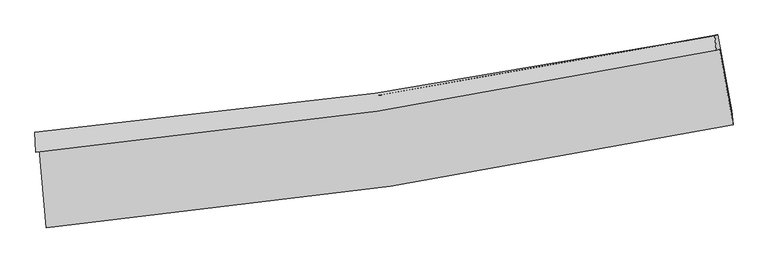
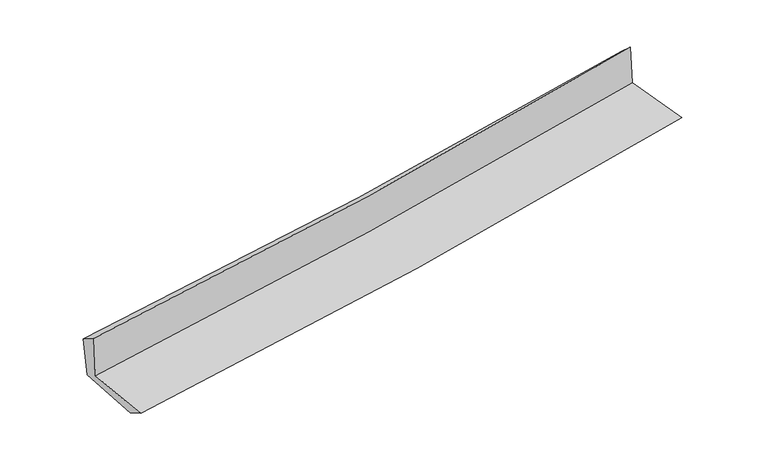
"""IFC4 building model written with IfcOpenShell, lengths in millimetres: proxy geometry."""

from ifc_helpers import new_model, si_unit, frame, origin, place, context, project, spatial, source, transform, mapped, element, save
from ifc_brep_helpers import plane_surface, spline_curve, spline_surface, advanced_brep


def generic_models_8a33d9b4(model_context):
    return source(origin(), model_context, "Body", "AdvancedBrep", [
        advanced_brep(
        [(-2925.9304357, -1894.8660456, 1619.7321691), (-2866.1827353, -2563.5177587, 1610.1785005), (2992.9283076, -1686.6258354, 2124.6903695), (2877.5336411, -1039.8536229, 2134.8151433), (-2953.6212013, -1918.0987496, 2036.7698573), (2850.7552447, -1050.7197209, 2523.7429584), (-2960.9736693, -1749.4565349, 1930.9817537), (2836.537599, -924.0486351, 2412.1480065), (-2932.7975708, -1764.1622955, 1554.1294792), (2863.1320825, -918.8858174, 2039.4100614), (-2874.1104651, -2403.9670818, 1523.7170839), (2979.7725719, -1565.8926868, 2012.9687853)],
        [
            (0, 1),
            (1, 2, spline_curve(3, [(-2866.1827353, -2563.5177587, 1610.1785005), (-1883.796132632, -2473.892300262, 1708.655504788), (-905.131007101, -2356.169735648, 1800.710769647), (1047.930277564, -2064.055669076, 1972.256607029), (2022.302166367, -1889.480926025, 2051.705298237), (2992.9283076, -1686.6258354, 2124.6903695)], [4, 2, 4], [0.0, 9.696366330577114, 19.424299762716338])),
            (2, 3),
            (3, 0, spline_curve(3, [(2877.5336411, -1039.8536229, 2134.8151433), (1915.353837085, -1235.183010092, 2063.461588826), (949.850585536, -1404.17179403, 1984.779583449), (-984.658974523, -1689.005262047, 1813.037774307), (-1953.643748232, -1805.020618951, 1720.025455035), (-2925.9304357, -1894.8660456, 1619.7321691)], [4, 2, 4], [0.0, 9.727933432139224, 19.424299762716338])),
            (4, 0),
            (3, 5),
            (5, 4, spline_curve(3, [(2850.7552447, -1050.7197209, 2523.7429584), (1889.542062486, -1251.27096662, 2449.778977616), (924.445058219, -1423.900339187, 2372.143989398), (-1010.372255264, -1712.845763607, 2209.795836402), (-1980.067400025, -1829.342733715, 2125.106457271), (-2953.6212013, -1918.0987496, 2036.7698573)], [4, 2, 4], [0.0, 9.680396594629824, 19.329380344527937])),
            (6, 4),
            (5, 7),
            (7, 6, spline_curve(3, [(2836.537599, -924.0486351, 2412.1480065), (1875.403816924, -1114.85714665, 2340.60168896), (910.920407483, -1279.114097679, 2264.659046219), (-1021.605052299, -1554.07802453, 2104.241809582), (-1989.625398818, -1664.957040333, 2019.79570129), (-2960.9736693, -1749.4565349, 1930.9817537)], [4, 2, 4], [0.0, 9.669672466422762, 19.307966887863074])),
            (8, 6),
            (7, 9),
            (9, 8, spline_curve(3, [(2863.1320825, -918.8858174, 2039.4100614), (1903.574924492, -1119.581697238, 1965.131239587), (940.010775996, -1290.435398536, 1887.48058893), (-991.991738468, -1572.000863485, 1725.698547463), (-1960.404140843, -1682.905987885, 1641.589003919), (-2932.7975708, -1764.1622955, 1554.1294792)], [4, 2, 4], [0.0, 9.66042916077026, 19.289510271044602])),
            (10, 8),
            (9, 11),
            (11, 10, spline_curve(3, [(2979.7725719, -1565.8926868, 2012.9687853), (2009.767134216, -1761.221482422, 1938.022174657), (1036.142177643, -1928.793876893, 1859.706169289), (-915.175620779, -2207.972162017, 1696.60043688), (-1892.845009631, -2319.757899255, 1611.832541984), (-2874.1104651, -2403.9670818, 1523.7170839)], [4, 2, 4], [0.0, 9.708299574179305, 19.38509575857995])),
            (1, 10),
            (11, 2),
        ],
        [
            spline_surface(3, 3, [[(-2925.9304357, -1894.8660456, 1619.7321691), (-1953.643748331, -1805.020619081, 1720.025455015), (-984.658974365, -1689.00526202, 1813.037774307), (949.850585378, -1404.171794057, 1984.779583449), (1915.353837025, -1235.183010184, 2063.461588901), (2877.5336411, -1039.8536229, 2134.8151433)], [(-2906.014535573, -2117.749949985, 1616.547612911), (-1930.361209804, -2027.977846129, 1716.235471576), (-958.149651975, -1911.393419864, 1808.928772781), (982.543816096, -1624.13308577, 1980.605257913), (1951.003280118, -1453.282315473, 2059.542825323), (2915.998529938, -1255.444360396, 2131.440218722)], [(-2886.098635427, -2340.633854315, 1613.363056689), (-1907.078671258, -2250.935073123, 1712.445488105), (-931.640329522, -2133.781577696, 1804.819771307), (1015.237046878, -1844.094377471, 1976.43093243), (1986.652723198, -1671.381620773, 2055.62406168), (2954.463418762, -1471.035097904, 2128.065294078)], [(-2866.1827353, -2563.5177587, 1610.1785005), (-1883.79613273, -2473.892300172, 1708.655504666), (-905.131007133, -2356.16973554, 1800.710769781), (1047.930277596, -2064.055669185, 1972.256606894), (2022.302166291, -1889.480926061, 2051.705298102), (2992.9283076, -1686.6258354, 2124.6903695)]], [4, 4], [4, 2, 4], [0.0, 2.1966796606147616], [0.0, 9.696366330577114, 19.424299762716338]),
            spline_surface(3, 3, [[(-2953.6212013, -1918.0987496, 2036.7698573), (-1980.06739989, -1829.342733661, 2125.106457405), (-1010.372255399, -1712.845763497, 2209.7958363), (924.445058354, -1423.900339298, 2372.1439895), (1889.542062506, -1251.27096655, 2449.778977604), (2850.7552447, -1050.7197209, 2523.7429584)], [(-2944.390946086, -1910.354514921, 1897.757294571), (-1971.259516023, -1821.235362122, 1990.079456613), (-1001.801161694, -1704.898929673, 2077.543148975), (932.913567388, -1417.324157553, 2243.022520823), (1898.145987342, -1245.908314426, 2321.006514685), (2859.681376829, -1047.097688231, 2394.100353348)], [(-2935.160690914, -1902.610280279, 1758.744731829), (-1962.451632199, -1813.12799062, 1855.052455807), (-993.230068069, -1696.952095844, 1945.290461632), (941.382076343, -1410.747975802, 2113.901052127), (1906.749912189, -1240.545662308, 2192.234051821), (2868.607508971, -1043.475655569, 2264.457748352)], [(-2925.9304357, -1894.8660456, 1619.7321691), (-1953.643748331, -1805.020619081, 1720.025455015), (-984.658974365, -1689.00526202, 1813.037774307), (949.850585378, -1404.171794057, 1984.779583449), (1915.353837025, -1235.183010184, 2063.461588901), (2877.5336411, -1039.8536229, 2134.8151433)]], [4, 4], [4, 2, 4], [0.0, 1.2909494049137393], [0.0, 9.648983749898113, 19.329380344527937]),
            spline_surface(3, 3, [[(-2960.9736693, -1749.4565349, 1930.9817537), (-1989.625398936, -1664.957040178, 2019.795701421), (-1021.605052352, -1554.0780245, 2104.241809516), (910.920407536, -1279.11409771, 2264.659046285), (1875.40381704, -1114.857146789, 2340.601689093), (2836.537599, -924.0486351, 2412.1480065)], [(-2958.522846635, -1805.670606468, 1966.244454896), (-1986.439399255, -1719.75227134, 2054.899286745), (-1017.860786722, -1607.00060416, 2139.426485107), (915.428624454, -1327.376178233, 2300.487360686), (1880.116565533, -1160.328420051, 2376.994118594), (2841.276814238, -966.272330374, 2449.346323798)], [(-2956.072023965, -1861.884678032, 2001.507156104), (-1983.253399571, -1774.5475025, 2090.002872081), (-1014.116521029, -1659.923183837, 2174.61116071), (919.936841435, -1375.638258774, 2336.315675099), (1884.829314013, -1205.799693289, 2413.386548103), (2846.016029462, -1008.496025626, 2486.544641102)], [(-2953.6212013, -1918.0987496, 2036.7698573), (-1980.06739989, -1829.342733661, 2125.106457405), (-1010.372255399, -1712.845763497, 2209.7958363), (924.445058354, -1423.900339298, 2372.1439895), (1889.542062506, -1251.27096655, 2449.778977604), (2850.7552447, -1050.7197209, 2523.7429584)]], [4, 4], [4, 2, 4], [0.0, 0.6096516516756465], [0.0, 9.638294421440312, 19.307966887863074]),
            spline_surface(3, 3, [[(-2932.7975708, -1764.1622955, 1554.1294792), (-1960.404140841, -1682.905987905, 1641.589003983), (-991.991738344, -1572.000863409, 1725.698547339), (940.010775871, -1290.435398613, 1887.480589055), (1903.574924524, -1119.581697078, 1965.131239738), (2863.1320825, -918.8858174, 2039.4100614)], [(-2942.189603661, -1759.260375296, 1679.746904042), (-1970.144560234, -1676.923005326, 1767.657903137), (-1001.862843018, -1566.026583777, 1851.879634737), (930.313986421, -1286.661631649, 2013.20674147), (1894.184555366, -1118.006846979, 2090.288056199), (2854.26725467, -920.606756631, 2163.65604311)], [(-2951.581636439, -1754.358455104, 1805.364328858), (-1979.884979544, -1670.940022758, 1893.726802267), (-1011.733947677, -1560.052304132, 1978.060722118), (920.617196986, -1282.887864673, 2138.932893869), (1884.794186198, -1116.431996888, 2215.444872631), (2845.40242683, -922.327695869, 2287.90202479)], [(-2960.9736693, -1749.4565349, 1930.9817537), (-1989.625398936, -1664.957040178, 2019.795701421), (-1021.605052352, -1554.0780245, 2104.241809516), (910.920407536, -1279.11409771, 2264.659046285), (1875.40381704, -1114.857146789, 2340.601689093), (2836.537599, -924.0486351, 2412.1480065)]], [4, 4], [4, 2, 4], [0.0, 1.2443517632861945], [0.0, 9.629081110274342, 19.289510271044602]),
            spline_surface(3, 3, [[(-2874.1104651, -2403.9670818, 1523.7170839), (-1892.845009507, -2319.757899105, 1611.832541942), (-915.175620674, -2207.972162024, 1696.600436915), (1036.142177537, -1928.793876887, 1859.706169254), (2009.767134353, -1761.221482292, 1938.022174731), (2979.7725719, -1565.8926868, 2012.9687853)], [(-2893.67283364, -2190.698819707, 1533.85454898), (-1915.364719925, -2107.473928712, 1621.751362602), (-940.780993203, -1995.981729133, 1706.299807078), (1004.098377009, -1716.007717443, 1868.964309209), (1974.369731069, -1547.341553888, 1947.05852972), (2940.892408759, -1350.223730334, 2021.782543986)], [(-2913.23520226, -1977.430557593, 1543.99201412), (-1937.884430423, -1895.189958298, 1631.670183322), (-966.386365815, -1783.9912963, 1715.999177175), (972.054576399, -1503.221558057, 1878.222449099), (1938.972327809, -1333.461625482, 1956.094884749), (2902.012245641, -1134.554773866, 2030.596302714)], [(-2932.7975708, -1764.1622955, 1554.1294792), (-1960.404140841, -1682.905987905, 1641.589003983), (-991.991738344, -1572.000863409, 1725.698547339), (940.010775871, -1290.435398613, 1887.480589055), (1903.574924524, -1119.581697078, 1965.131239738), (2863.1320825, -918.8858174, 2039.4100614)]], [4, 4], [4, 2, 4], [0.0, 2.111688074571742], [0.0, 9.676796184400645, 19.38509575857995]),
            spline_surface(3, 3, [[(-2866.1827353, -2563.5177587, 1610.1785005), (-1883.79613273, -2473.892300172, 1708.655504666), (-905.131007133, -2356.16973554, 1800.710769781), (1047.930277596, -2064.055669185, 1972.256606894), (2022.302166291, -1889.480926061, 2051.705298102), (2992.9283076, -1686.6258354, 2124.6903695)], [(-2868.825311906, -2510.334199723, 1581.3580283), (-1886.812424995, -2422.514166473, 1676.381183758), (-908.479211653, -2306.770544383, 1766.00732548), (1044.000910903, -2018.9684051, 1934.739794335), (2018.123822312, -1846.727778138, 2013.810923648), (2988.543062367, -1646.381452534, 2087.449841436)], [(-2871.467888494, -2457.150640777, 1552.5375561), (-1889.828717242, -2371.136032804, 1644.106862849), (-911.827416154, -2257.371353181, 1731.303881216), (1040.07154423, -1973.881140971, 1897.222981813), (2013.945478332, -1803.974630215, 1975.916549185), (2984.157817133, -1606.137069666, 2050.209313364)], [(-2874.1104651, -2403.9670818, 1523.7170839), (-1892.845009507, -2319.757899105, 1611.832541942), (-915.175620674, -2207.972162024, 1696.600436915), (1036.142177537, -1928.793876887, 1859.706169254), (2009.767134353, -1761.221482292, 1938.022174731), (2979.7725719, -1565.8926868, 2012.9687853)]], [4, 4], [4, 2, 4], [0.0, 0.5863349328904882], [0.0, 9.733311456280996, 19.498310291194457]),
            plane_surface(frame((2900.1099078, -1197.6710531, 2207.9625541), z_axis=(0.9820603148972052, 0.17408088096252947, 0.07248023721892724), x_axis=(-0.07116130190651646, -0.013814625449371041, 0.9973691519365653))),
            plane_surface(frame((-2918.9360129, -2049.011411, 1712.5848073), z_axis=(-0.9936167178241868, -0.08777259677008137, -0.07086458436008211), x_axis=(-0.08899187406078767, 0.9959306997207311, 0.014229817459262937))),
        ],
        [
            (0, [[1, 2, 3, 4]]),
            (1, [[5, -4, 6, 7]]),
            (2, [[8, -7, 9, 10]]),
            (3, [[11, -10, 12, 13]]),
            (4, [[14, -13, 15, 16]]),
            (5, [[17, -16, 18, -2]]),
            (6, [[-12, -9, -6, -3, -18, -15]]),
            (7, [[-1, -5, -8, -11, -14, -17]]),
        ],
    ),
    ])


if __name__ == "__main__":
    model = new_model("IFC4")
    model_context = context("Model", 3, world=origin())
    ifc_project = project(units=[si_unit("LENGTHUNIT", "METRE", prefix="MILLI")], contexts=[model_context])
    site = spatial("IfcSite", under=ifc_project)
    building = spatial("IfcBuilding", under=site)
    placement = place(None, origin())
    generic_models_shape = generic_models_8a33d9b4(model_context)
    element("IfcBuildingElementProxy", 1, Name="Generic Models", at=placement, inside=building, context=model_context, shape_type="MappedRepresentation", body=[
        mapped(generic_models_shape, transform((0.0, 0.0, 0.0), x_axis=(1.0, 0.0, 0.0), y_axis=(0.0, 1.0, 0.0), z_axis=(0.0, 0.0, 1.0))),
    ])
    save(model, "model.ifc")
